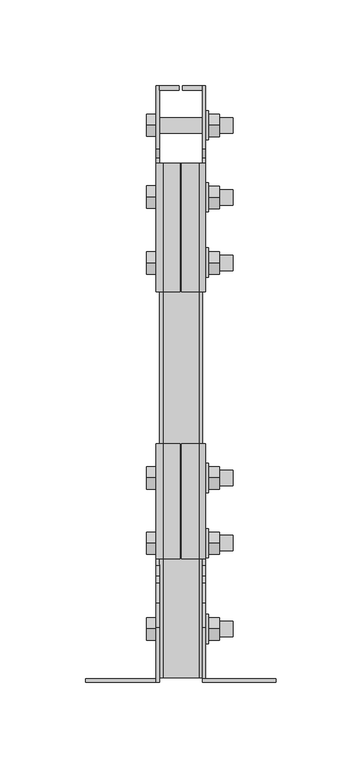
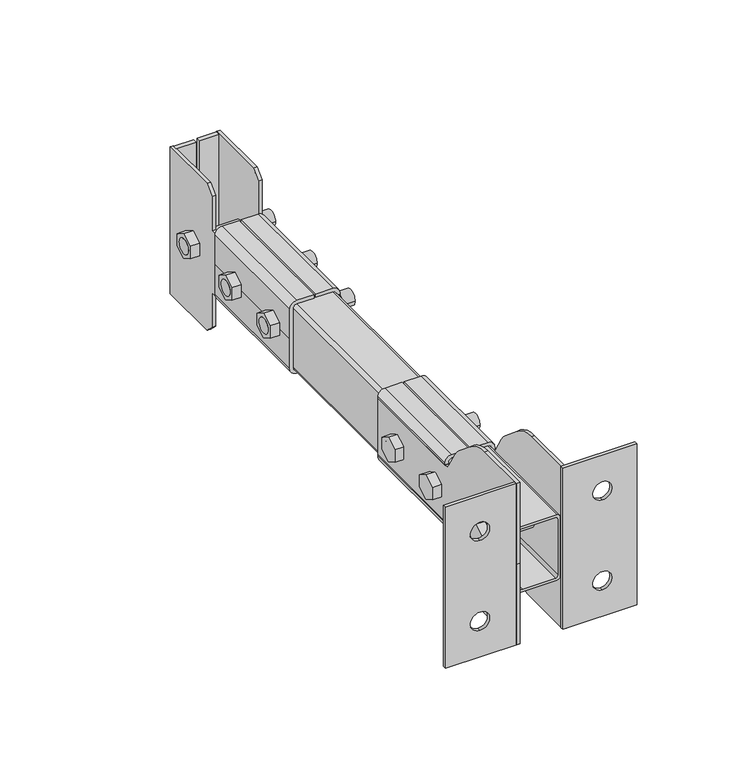
"""IFC4 building model written with IfcOpenShell, lengths in millimetres: proxy geometry."""

from ifc_helpers import new_model, si_unit, point, frame, frame_2d, origin, place, context, project, spatial, polyline, circle_curve, trimmed, segment, composite_curve, outline, extrude, source, transform, mapped, element, save


def generic_models_24f6e71a(model_context):
    return source(origin(), model_context, "Body", "SweptSolid", [
        extrude(outline(composite_curve([segment(trimmed(circle_curve(frame_2d((244.5190981, 0.0)), 8.5), [point((253.0190981, 0.0))], [point((236.0190981, 0.0))], False, "CARTESIAN"), True, "CONTINUOUS"), segment(trimmed(circle_curve(frame_2d((244.5190981, 0.0)), 8.5), [point((236.0190981, 0.0))], [point((253.0190981, 0.0))], False, "CARTESIAN"), True, "CONTINUOUS")], self_intersect=False)), frame((14.5, 0.0, 0.0), z_axis=(1.0, 0.0, 0.0), x_axis=(0.0, 1.0, 0.0)), (0.0, 0.0, 1.0), 1.6),
        extrude(outline(composite_curve([segment(trimmed(circle_curve(frame_2d((282.4878481, 0.0)), 8.5), [point((290.9878481, 0.0))], [point((273.9878481, 0.0))], False, "CARTESIAN"), True, "CONTINUOUS"), segment(trimmed(circle_curve(frame_2d((282.4878481, 0.0)), 8.5), [point((273.9878481, 0.0))], [point((290.9878481, 0.0))], False, "CARTESIAN"), True, "CONTINUOUS")], self_intersect=False)), frame((14.5, 0.0, 0.0), z_axis=(1.0, 0.0, 0.0), x_axis=(0.0, 1.0, 0.0)), (0.0, 0.0, 1.0), 1.6),
        extrude(outline(composite_curve([segment(trimmed(circle_curve(frame_2d((324.4837978, 0.0)), 8.5), [point((332.9837978, 0.0))], [point((315.9837978, 0.0))], False, "CARTESIAN"), True, "CONTINUOUS"), segment(trimmed(circle_curve(frame_2d((324.4837978, 0.0)), 8.5), [point((315.9837978, 0.0))], [point((332.9837978, 0.0))], False, "CARTESIAN"), True, "CONTINUOUS")], self_intersect=False)), frame((14.5, 0.0, 0.0), z_axis=(1.0, 0.0, 0.0), x_axis=(0.0, 1.0, 0.0)), (0.0, 0.0, 1.0), 1.6),
        extrude(outline(polyline([(250.7114038, 3.7527767), (250.7114038, -3.7527767), (244.2114038, -7.5055535), (237.7114038, -3.7527767), (237.7114038, 3.7527767), (244.2114038, 7.5055535), (250.7114038, 3.7527767)])), frame((16.1, 0.0, 0.0), z_axis=(1.0, 0.0, 0.0), x_axis=(0.0, 1.0, 0.0)), (0.0, 0.0, 1.0), 6.5),
        extrude(outline(polyline([(288.8364038, 3.7527767), (288.8364038, -3.7527767), (282.3364038, -7.5055535), (275.8364038, -3.7527767), (275.8364038, 3.7527767), (282.3364038, 7.5055535), (288.8364038, 3.7527767)])), frame((16.1, 0.0, 0.0), z_axis=(1.0, 0.0, 0.0), x_axis=(0.0, 1.0, 0.0)), (0.0, 0.0, 1.0), 6.5),
        extrude(outline(polyline([(330.9131294, 3.7527767), (330.9131294, -3.7527767), (324.4131294, -7.5055535), (317.9131294, -3.7527767), (317.9131294, 3.7527767), (324.4131294, 7.5055535), (330.9131294, 3.7527767)])), frame((16.1, 0.0, 0.0), z_axis=(1.0, 0.0, 0.0), x_axis=(0.0, 1.0, 0.0)), (0.0, 0.0, 1.0), 6.5),
        extrude(outline(composite_curve([segment(trimmed(circle_curve(frame_2d((244.3267454, 0.0)), 4.515429), [point((248.8421745, 0.0))], [point((239.8113164, 0.0))], False, "CARTESIAN"), True, "CONTINUOUS"), segment(trimmed(circle_curve(frame_2d((244.3267454, 0.0)), 4.515429), [point((239.8113164, 0.0))], [point((248.8421745, 0.0))], False, "CARTESIAN"), True, "CONTINUOUS")], self_intersect=False)), frame((-20.0, 0.0, 0.0), z_axis=(1.0, 0.0, 0.0), x_axis=(0.0, 1.0, 0.0)), (0.0, 0.0, 1.0), 50.5),
        extrude(outline(composite_curve([segment(trimmed(circle_curve(frame_2d((282.4517454, 0.0)), 4.515429), [point((286.9671745, 0.0))], [point((277.9363164, 0.0))], False, "CARTESIAN"), True, "CONTINUOUS"), segment(trimmed(circle_curve(frame_2d((282.4517454, 0.0)), 4.515429), [point((277.9363164, 0.0))], [point((286.9671745, 0.0))], False, "CARTESIAN"), True, "CONTINUOUS")], self_intersect=False)), frame((-20.0, 0.0, 0.0), z_axis=(1.0, 0.0, 0.0), x_axis=(0.0, 1.0, 0.0)), (0.0, 0.0, 1.0), 50.5),
        extrude(outline(composite_curve([segment(trimmed(circle_curve(frame_2d((324.3579954, 0.0)), 4.515429), [point((328.8734245, 0.0))], [point((319.8425664, 0.0))], False, "CARTESIAN"), True, "CONTINUOUS"), segment(trimmed(circle_curve(frame_2d((324.3579954, 0.0)), 4.515429), [point((319.8425664, 0.0))], [point((328.8734245, 0.0))], False, "CARTESIAN"), True, "CONTINUOUS")], self_intersect=False)), frame((-20.0, 0.0, 0.0), z_axis=(1.0, 0.0, 0.0), x_axis=(0.0, 1.0, 0.0)), (0.0, 0.0, 1.0), 50.5),
        extrude(outline(polyline([(250.7114038, 3.7527767), (250.7114038, -3.7527767), (244.2114038, -7.5055535), (237.7114038, -3.7527767), (237.7114038, 3.7527767), (244.2114038, 7.5055535), (250.7114038, 3.7527767)])), frame((-20.0, 0.0, 0.0), z_axis=(1.0, 0.0, 0.0), x_axis=(0.0, 1.0, 0.0)), (0.0, 0.0, 1.0), 5.5),
        extrude(outline(polyline([(289.1489038, 3.7527767), (289.1489038, -3.7527767), (282.6489038, -7.5055535), (276.1489038, -3.7527767), (276.1489038, 3.7527767), (282.6489038, 7.5055535), (289.1489038, 3.7527767)])), frame((-20.0, 0.0, 0.0), z_axis=(1.0, 0.0, 0.0), x_axis=(0.0, 1.0, 0.0)), (0.0, 0.0, 1.0), 5.5),
        extrude(outline(polyline([(331.0693794, 3.7527767), (331.0693794, -3.7527767), (324.5693794, -7.5055535), (318.0693794, -3.7527767), (318.0693794, 3.7527767), (324.5693794, 7.5055535), (331.0693794, 3.7527767)])), frame((-20.0, 0.0, 0.0), z_axis=(1.0, 0.0, 0.0), x_axis=(0.0, 1.0, 0.0)), (0.0, 0.0, 1.0), 5.5),
        extrude(outline(polyline([(347.4951628, 45.0), (347.4951628, 0.0), (347.4951628, -45.0), (310.4972368, -45.0), (305.4972368, -40.0), (305.4972368, -19.0), (302.4972368, -19.0), (302.4972368, -17.0099611), (227.4972368, -17.0099611), (227.4972368, 0.0), (227.4972368, 17.0099611), (302.4972368, 17.0099611), (302.4972368, 19.0), (305.4972368, 19.0), (305.4972368, 40.0), (310.4972368, 45.0), (347.4951628, 45.0)])), frame((12.5, 0.0, 0.0), z_axis=(1.0, 0.0, 0.0), x_axis=(0.0, 1.0, 0.0)), (0.0, 0.0, 1.0), 2.0),
        extrude(outline(composite_curve([segment(polyline([(0.0, 0.0), (0.0, 49.4), (31.8427762, 49.4)]), True, "CONTINUOUS"), segment(trimmed(circle_curve(frame_2d((31.8427762, 27.5454861)), 21.8545139), [point((31.8427762, 49.4))], [point((45.8906762, 44.2869401))], False, "CARTESIAN"), True, "CONTINUOUS"), segment(polyline([(45.8906762, 44.2869401), (57.508691, 34.5381626)]), True, "CONTINUOUS"), segment(trimmed(circle_curve(frame_2d((45.0543342, 19.6957988)), 19.3754166), [point((57.508691, 34.5381626))], [point((61.6686175, 29.6643674))], False, "CARTESIAN"), True, "CONTINUOUS"), segment(polyline([(61.6686175, 29.6643674), (67.8107241, 19.4275215)]), True, "CONTINUOUS"), segment(trimmed(circle_curve(frame_2d((72.0981889, 22.0)), 5.0), [point((67.8107241, 19.4275215))], [point((72.0981889, 17.0))], True, "CARTESIAN"), True, "CONTINUOUS"), segment(polyline([(72.0981889, 17.0), (138.9972368, 17.0), (138.9972368, 0.0), (138.9972368, -17.0), (72.0981889, -17.0)]), True, "CONTINUOUS"), segment(trimmed(circle_curve(frame_2d((72.0981889, -22.0)), 5.0), [point((72.0981889, -17.0))], [point((67.8107241, -19.4275215))], True, "CARTESIAN"), True, "CONTINUOUS"), segment(polyline([(67.8107241, -19.4275215), (61.6686175, -29.6643674)]), True, "CONTINUOUS"), segment(trimmed(circle_curve(frame_2d((45.0543342, -19.6957988)), 19.3754166), [point((61.6686175, -29.6643674))], [point((57.508691, -34.5381626))], False, "CARTESIAN"), True, "CONTINUOUS"), segment(polyline([(57.508691, -34.5381626), (45.8906762, -44.2869401)]), True, "CONTINUOUS"), segment(trimmed(circle_curve(frame_2d((31.8427762, -27.5454861)), 21.8545139), [point((45.8906762, -44.2869401))], [point((31.8427762, -49.4))], False, "CARTESIAN"), True, "CONTINUOUS"), segment(polyline([(31.8427762, -49.4), (0.0, -49.4), (0.0, 0.0)]), True, "CONTINUOUS")], self_intersect=False)), frame((-14.5, 0.0, 0.0), z_axis=(1.0, 0.0, 0.0), x_axis=(0.0, 1.0, 0.0)), (0.0, 0.0, 1.0), 2.0),
        extrude(outline(polyline([(-1.002074, 347.4951628), (-1.002074, 344.9951628), (-12.5, 344.9951628), (-12.5, 347.4951628), (-1.002074, 347.4951628)])), frame((0.0, 0.0, -44.7208203), z_axis=(0.0, 0.0, 1.0), x_axis=(1.0, 0.0, 0.0)), (0.0, 0.0, 1.0), 89.4416407),
        extrude(outline(polyline([(1.002074, 347.4951628), (12.5, 347.4951628), (12.5, 344.9951628), (1.002074, 344.9951628), (1.002074, 347.4951628)])), frame((0.0, 0.0, -44.7208203), z_axis=(0.0, 0.0, 1.0), x_axis=(1.0, 0.0, 0.0)), (0.0, 0.0, 1.0), 89.4416407),
        extrude(outline(polyline([(37.4972368, 3.7527767), (37.4972368, -3.7527767), (30.9972368, -7.5055535), (24.4972368, -3.7527767), (24.4972368, 3.7527767), (30.9972368, 7.5055535), (37.4972368, 3.7527767)])), frame((16.1, 0.0, 0.0), z_axis=(1.0, 0.0, 0.0), x_axis=(0.0, 1.0, 0.0)), (0.0, 0.0, 1.0), 6.5),
        extrude(outline(polyline([(87.4972368, 3.7527767), (87.4972368, -3.7527767), (80.9972368, -7.5055535), (74.4972368, -3.7527767), (74.4972368, 3.7527767), (80.9972368, 7.5055535), (87.4972368, 3.7527767)])), frame((16.1, 0.0, 0.0), z_axis=(1.0, 0.0, 0.0), x_axis=(0.0, 1.0, 0.0)), (0.0, 0.0, 1.0), 6.5),
        extrude(outline(polyline([(125.5114624, 3.7527767), (125.5114624, -3.7527767), (119.0114624, -7.5055535), (112.5114624, -3.7527767), (112.5114624, 3.7527767), (119.0114624, 7.5055535), (125.5114624, 3.7527767)])), frame((16.1, 0.0, 0.0), z_axis=(1.0, 0.0, 0.0), x_axis=(0.0, 1.0, 0.0)), (0.0, 0.0, 1.0), 6.5),
        extrude(outline(composite_curve([segment(trimmed(circle_curve(frame_2d((30.9972368, 0.0)), 8.5), [point((39.4972368, 0.0))], [point((22.4972368, 0.0))], False, "CARTESIAN"), True, "CONTINUOUS"), segment(trimmed(circle_curve(frame_2d((30.9972368, 0.0)), 8.5), [point((22.4972368, 0.0))], [point((39.4972368, 0.0))], False, "CARTESIAN"), True, "CONTINUOUS")], self_intersect=False)), frame((14.5, 0.0, 0.0), z_axis=(1.0, 0.0, 0.0), x_axis=(0.0, 1.0, 0.0)), (0.0, 0.0, 1.0), 1.6),
        extrude(outline(composite_curve([segment(trimmed(circle_curve(frame_2d((80.9972368, 0.0)), 8.5), [point((89.4972368, 0.0))], [point((72.4972368, 0.0))], False, "CARTESIAN"), True, "CONTINUOUS"), segment(trimmed(circle_curve(frame_2d((80.9972368, 0.0)), 8.5), [point((72.4972368, 0.0))], [point((89.4972368, 0.0))], False, "CARTESIAN"), True, "CONTINUOUS")], self_intersect=False)), frame((14.5, 0.0, 0.0), z_axis=(1.0, 0.0, 0.0), x_axis=(0.0, 1.0, 0.0)), (0.0, 0.0, 1.0), 1.6),
        extrude(outline(composite_curve([segment(trimmed(circle_curve(frame_2d((119.0088115, 0.0)), 8.5), [point((127.5088115, 0.0))], [point((110.5088115, 0.0))], False, "CARTESIAN"), True, "CONTINUOUS"), segment(trimmed(circle_curve(frame_2d((119.0088115, 0.0)), 8.5), [point((110.5088115, 0.0))], [point((127.5088115, 0.0))], False, "CARTESIAN"), True, "CONTINUOUS")], self_intersect=False)), frame((14.5, 0.0, 0.0), z_axis=(1.0, 0.0, 0.0), x_axis=(0.0, 1.0, 0.0)), (0.0, 0.0, 1.0), 1.6),
        extrude(outline(polyline([(37.4972368, 3.7527767), (37.4972368, -3.7527767), (30.9972368, -7.5055535), (24.4972368, -3.7527767), (24.4972368, 3.7527767), (30.9972368, 7.5055535), (37.4972368, 3.7527767)])), frame((-20.0, 0.0, 0.0), z_axis=(1.0, 0.0, 0.0), x_axis=(0.0, 1.0, 0.0)), (0.0, 0.0, 1.0), 5.5),
        extrude(outline(polyline([(87.4972368, 3.7527767), (87.4972368, -3.7527767), (80.9972368, -7.5055535), (74.4972368, -3.7527767), (74.4972368, 3.7527767), (80.9972368, 7.5055535), (87.4972368, 3.7527767)])), frame((-20.0, 0.0, 0.0), z_axis=(1.0, 0.0, 0.0), x_axis=(0.0, 1.0, 0.0)), (0.0, 0.0, 1.0), 5.5),
        extrude(outline(polyline([(125.5114624, 3.7527767), (125.5114624, -3.7527767), (119.0114624, -7.5055535), (112.5114624, -3.7527767), (112.5114624, 3.7527767), (119.0114624, 7.5055535), (125.5114624, 3.7527767)])), frame((-20.0, 0.0, 0.0), z_axis=(1.0, 0.0, 0.0), x_axis=(0.0, 1.0, 0.0)), (0.0, 0.0, 1.0), 5.5),
        extrude(outline(composite_curve([segment(trimmed(circle_curve(frame_2d((30.9538006, 0.0)), 4.515429), [point((35.4692297, 0.0))], [point((26.4383716, 0.0))], False, "CARTESIAN"), True, "CONTINUOUS"), segment(trimmed(circle_curve(frame_2d((30.9538006, 0.0)), 4.515429), [point((26.4383716, 0.0))], [point((35.4692297, 0.0))], False, "CARTESIAN"), True, "CONTINUOUS")], self_intersect=False)), frame((-20.0, 0.0, 0.0), z_axis=(1.0, 0.0, 0.0), x_axis=(0.0, 1.0, 0.0)), (0.0, 0.0, 1.0), 50.5),
        extrude(outline(composite_curve([segment(trimmed(circle_curve(frame_2d((80.9538006, 0.0)), 4.515429), [point((85.4692297, 0.0))], [point((76.4383716, 0.0))], False, "CARTESIAN"), True, "CONTINUOUS"), segment(trimmed(circle_curve(frame_2d((80.9538006, 0.0)), 4.515429), [point((76.4383716, 0.0))], [point((85.4692297, 0.0))], False, "CARTESIAN"), True, "CONTINUOUS")], self_intersect=False)), frame((-20.0, 0.0, 0.0), z_axis=(1.0, 0.0, 0.0), x_axis=(0.0, 1.0, 0.0)), (0.0, 0.0, 1.0), 50.5),
        extrude(outline(composite_curve([segment(trimmed(circle_curve(frame_2d((118.9538006, 0.0)), 4.515429), [point((123.4692297, 0.0))], [point((114.4383716, 0.0))], False, "CARTESIAN"), True, "CONTINUOUS"), segment(trimmed(circle_curve(frame_2d((118.9538006, 0.0)), 4.515429), [point((114.4383716, 0.0))], [point((123.4692297, 0.0))], False, "CARTESIAN"), True, "CONTINUOUS")], self_intersect=False)), frame((-20.0, 0.0, 0.0), z_axis=(1.0, 0.0, 0.0), x_axis=(0.0, 1.0, 0.0)), (0.0, 0.0, 1.0), 50.5),
        extrude(outline(composite_curve([segment(polyline([(-22.2499979, -10.5), (-22.2499979, -0.5055263), (-20.2499979, -0.5055263), (-20.2499979, -10.5)]), True, "CONTINUOUS"), segment(trimmed(circle_curve(frame_2d((-18.2499979, -10.5)), 2.0), [point((-20.2499979, -10.5))], [point((-18.2499979, -12.5))], True, "CARTESIAN"), True, "CONTINUOUS"), segment(polyline([(-18.2499979, -12.5), (0.0, -12.5), (18.2499979, -12.5)]), True, "CONTINUOUS"), segment(trimmed(circle_curve(frame_2d((18.2499979, -10.5)), 2.0), [point((18.2499979, -12.5))], [point((20.2499979, -10.5))], True, "CARTESIAN"), True, "CONTINUOUS"), segment(polyline([(20.2499979, -10.5), (20.2499979, -0.5055263), (22.2499979, -0.5055263), (22.2499979, -10.5)]), True, "CONTINUOUS"), segment(trimmed(circle_curve(frame_2d((18.2499979, -10.5)), 4.0), [point((22.2499979, -10.5))], [point((18.2499979, -14.5))], False, "CARTESIAN"), True, "CONTINUOUS"), segment(polyline([(18.2499979, -14.5), (0.0, -14.5), (-18.2499979, -14.5)]), True, "CONTINUOUS"), segment(trimmed(circle_curve(frame_2d((-18.2499979, -10.5)), 4.0), [point((-18.2499979, -14.5))], [point((-22.2499979, -10.5))], False, "CARTESIAN"), True, "CONTINUOUS")], self_intersect=False)), frame((0.0, 227.4972368, 0.0), z_axis=(0.0, 1.0, 0.0), x_axis=(0.0, 0.0, 1.0)), (0.0, 0.0, 1.0), 75.0),
        extrude(outline(composite_curve([segment(trimmed(circle_curve(frame_2d((-18.2499979, 10.5)), 4.0), [point((-22.2499979, 10.5))], [point((-18.2499979, 14.5))], False, "CARTESIAN"), True, "CONTINUOUS"), segment(polyline([(-18.2499979, 14.5), (0.0, 14.5), (18.2499979, 14.5)]), True, "CONTINUOUS"), segment(trimmed(circle_curve(frame_2d((18.2499979, 10.5)), 4.0), [point((18.2499979, 14.5))], [point((22.2499979, 10.5))], False, "CARTESIAN"), True, "CONTINUOUS"), segment(polyline([(22.2499979, 10.5), (22.2499979, 0.5055263), (20.2499979, 0.5055263), (20.2499979, 10.5)]), True, "CONTINUOUS"), segment(trimmed(circle_curve(frame_2d((18.2499979, 10.5)), 2.0), [point((20.2499979, 10.5))], [point((18.2499979, 12.5))], True, "CARTESIAN"), True, "CONTINUOUS"), segment(polyline([(18.2499979, 12.5), (0.0, 12.5), (-18.2499979, 12.5)]), True, "CONTINUOUS"), segment(trimmed(circle_curve(frame_2d((-18.2499979, 10.5)), 2.0), [point((-18.2499979, 12.5))], [point((-20.2499979, 10.5))], True, "CARTESIAN"), True, "CONTINUOUS"), segment(polyline([(-20.2499979, 10.5), (-20.2499979, 0.5055263), (-22.2499979, 0.5055263), (-22.2499979, 10.5)]), True, "CONTINUOUS")], self_intersect=False)), frame((0.0, 227.4972368, 0.0), z_axis=(0.0, 1.0, 0.0), x_axis=(0.0, 0.0, 1.0)), (0.0, 0.0, 1.0), 75.0),
        extrude(outline(composite_curve([segment(polyline([(-22.2499979, -10.5), (-22.2499979, -0.5055263), (-20.2499979, -0.5055263), (-20.2499979, -10.5)]), True, "CONTINUOUS"), segment(trimmed(circle_curve(frame_2d((-18.2499979, -10.5)), 2.0), [point((-20.2499979, -10.5))], [point((-18.2499979, -12.5))], True, "CARTESIAN"), True, "CONTINUOUS"), segment(polyline([(-18.2499979, -12.5), (0.0, -12.5), (18.2499979, -12.5)]), True, "CONTINUOUS"), segment(trimmed(circle_curve(frame_2d((18.2499979, -10.5)), 2.0), [point((18.2499979, -12.5))], [point((20.2499979, -10.5))], True, "CARTESIAN"), True, "CONTINUOUS"), segment(polyline([(20.2499979, -10.5), (20.2499979, -0.5055263), (22.2499979, -0.5055263), (22.2499979, -10.5)]), True, "CONTINUOUS"), segment(trimmed(circle_curve(frame_2d((18.2499979, -10.5)), 4.0), [point((22.2499979, -10.5))], [point((18.2499979, -14.5))], False, "CARTESIAN"), True, "CONTINUOUS"), segment(polyline([(18.2499979, -14.5), (0.0, -14.5), (-18.2499979, -14.5)]), True, "CONTINUOUS"), segment(trimmed(circle_curve(frame_2d((-18.2499979, -10.5)), 4.0), [point((-18.2499979, -14.5))], [point((-22.2499979, -10.5))], False, "CARTESIAN"), True, "CONTINUOUS")], self_intersect=False)), frame((0.0, 71.8281889, 0.0), z_axis=(0.0, 1.0, 0.0), x_axis=(0.0, 0.0, 1.0)), (0.0, 0.0, 1.0), 67.1690479),
        extrude(outline(composite_curve([segment(trimmed(circle_curve(frame_2d((-18.2499979, 10.5)), 4.0), [point((-22.2499979, 10.5))], [point((-18.2499979, 14.5))], False, "CARTESIAN"), True, "CONTINUOUS"), segment(polyline([(-18.2499979, 14.5), (0.0, 14.5), (18.2499979, 14.5)]), True, "CONTINUOUS"), segment(trimmed(circle_curve(frame_2d((18.2499979, 10.5)), 4.0), [point((18.2499979, 14.5))], [point((22.2499979, 10.5))], False, "CARTESIAN"), True, "CONTINUOUS"), segment(polyline([(22.2499979, 10.5), (22.2499979, 0.5055263), (20.2499979, 0.5055263), (20.2499979, 10.5)]), True, "CONTINUOUS"), segment(trimmed(circle_curve(frame_2d((18.2499979, 10.5)), 2.0), [point((20.2499979, 10.5))], [point((18.2499979, 12.5))], True, "CARTESIAN"), True, "CONTINUOUS"), segment(polyline([(18.2499979, 12.5), (0.0, 12.5), (-18.2499979, 12.5)]), True, "CONTINUOUS"), segment(trimmed(circle_curve(frame_2d((-18.2499979, 10.5)), 2.0), [point((-18.2499979, 12.5))], [point((-20.2499979, 10.5))], True, "CARTESIAN"), True, "CONTINUOUS"), segment(polyline([(-20.2499979, 10.5), (-20.2499979, 0.5055263), (-22.2499979, 0.5055263), (-22.2499979, 10.5)]), True, "CONTINUOUS")], self_intersect=False)), frame((0.0, 71.8281889, 0.0), z_axis=(0.0, 1.0, 0.0), x_axis=(0.0, 0.0, 1.0)), (0.0, 0.0, 1.0), 67.1690479),
        extrude(outline(polyline([(49.4, -12.5), (49.4, -55.4972347), (-49.4, -55.4972347), (-49.4, -12.5), (49.4, -12.5)]), holes=[composite_curve([segment(trimmed(circle_curve(frame_2d((27.4914774, -35.4629887)), 5.5219905), [point((21.9694868, -35.4629887))], [point((33.0134679, -35.4629887))], True, "CARTESIAN"), True, "CONTINUOUS"), segment(trimmed(circle_curve(frame_2d((27.4914774, -35.4629887)), 5.5219905), [point((33.0134679, -35.4629887))], [point((21.9694868, -35.4629887))], True, "CARTESIAN"), True, "CONTINUOUS")], self_intersect=False), composite_curve([segment(trimmed(circle_curve(frame_2d((-27.4914774, -35.4629887)), 5.5219905), [point((-33.0134679, -35.4629887))], [point((-21.9694868, -35.4629887))], True, "CARTESIAN"), True, "CONTINUOUS"), segment(trimmed(circle_curve(frame_2d((-27.4914774, -35.4629887)), 5.5219905), [point((-21.9694868, -35.4629887))], [point((-33.0134679, -35.4629887))], True, "CARTESIAN"), True, "CONTINUOUS")], self_intersect=False)]), frame((0.0, 0.0, 0.0), z_axis=(0.0, 1.0, 0.0), x_axis=(0.0, 0.0, 1.0)), (0.0, 0.0, 1.0), 2.0),
        extrude(outline(polyline([(49.4, 12.5), (-49.4, 12.5), (-49.4, 55.4972347), (49.4, 55.4972347), (49.4, 12.5)]), holes=[composite_curve([segment(trimmed(circle_curve(frame_2d((27.4914774, 35.4629887)), 5.5219905), [point((21.9694868, 35.4629887))], [point((33.0134679, 35.4629887))], True, "CARTESIAN"), True, "CONTINUOUS"), segment(trimmed(circle_curve(frame_2d((27.4914774, 35.4629887)), 5.5219905), [point((33.0134679, 35.4629887))], [point((21.9694868, 35.4629887))], True, "CARTESIAN"), True, "CONTINUOUS")], self_intersect=False), composite_curve([segment(trimmed(circle_curve(frame_2d((-27.4914774, 35.4629887)), 5.5219905), [point((-33.0134679, 35.4629887))], [point((-21.9694868, 35.4629887))], True, "CARTESIAN"), True, "CONTINUOUS"), segment(trimmed(circle_curve(frame_2d((-27.4914774, 35.4629887)), 5.5219905), [point((-21.9694868, 35.4629887))], [point((-33.0134679, 35.4629887))], True, "CARTESIAN"), True, "CONTINUOUS")], self_intersect=False)]), frame((0.0, 0.0, 0.0), z_axis=(0.0, 1.0, 0.0), x_axis=(0.0, 0.0, 1.0)), (0.0, 0.0, 1.0), 2.0),
        extrude(outline(polyline([(347.4951628, 45.0), (347.4951628, 0.0), (347.4951628, -45.0), (310.4972368, -45.0), (305.4972368, -40.0), (305.4972368, -19.0), (302.4972368, -19.0), (302.4972368, -17.0099611), (227.4972368, -17.0099611), (227.4972368, 0.0), (227.4972368, 17.0099611), (302.4972368, 17.0099611), (302.4972368, 19.0), (305.4972368, 19.0), (305.4972368, 40.0), (310.4972368, 45.0), (347.4951628, 45.0)])), frame((-14.5, 0.0, 0.0), z_axis=(1.0, 0.0, 0.0), x_axis=(0.0, 1.0, 0.0)), (0.0, 0.0, 1.0), 2.0),
        extrude(outline(composite_curve([segment(polyline([(0.0, 0.0), (0.0, 49.4), (31.8427762, 49.4)]), True, "CONTINUOUS"), segment(trimmed(circle_curve(frame_2d((31.8427762, 27.5454861)), 21.8545139), [point((31.8427762, 49.4))], [point((45.8906762, 44.2869401))], False, "CARTESIAN"), True, "CONTINUOUS"), segment(polyline([(45.8906762, 44.2869401), (57.508691, 34.5381626)]), True, "CONTINUOUS"), segment(trimmed(circle_curve(frame_2d((45.0543342, 19.6957988)), 19.3754166), [point((57.508691, 34.5381626))], [point((61.6686175, 29.6643674))], False, "CARTESIAN"), True, "CONTINUOUS"), segment(polyline([(61.6686175, 29.6643674), (67.8107241, 19.4275215)]), True, "CONTINUOUS"), segment(trimmed(circle_curve(frame_2d((72.0981889, 22.0)), 5.0), [point((67.8107241, 19.4275215))], [point((72.0981889, 17.0))], True, "CARTESIAN"), True, "CONTINUOUS"), segment(polyline([(72.0981889, 17.0), (138.9972368, 17.0), (138.9972368, 0.0), (138.9972368, -17.0), (72.0981889, -17.0)]), True, "CONTINUOUS"), segment(trimmed(circle_curve(frame_2d((72.0981889, -22.0)), 5.0), [point((72.0981889, -17.0))], [point((67.8107241, -19.4275215))], True, "CARTESIAN"), True, "CONTINUOUS"), segment(polyline([(67.8107241, -19.4275215), (61.6686175, -29.6643674)]), True, "CONTINUOUS"), segment(trimmed(circle_curve(frame_2d((45.0543342, -19.6957988)), 19.3754166), [point((61.6686175, -29.6643674))], [point((57.508691, -34.5381626))], False, "CARTESIAN"), True, "CONTINUOUS"), segment(polyline([(57.508691, -34.5381626), (45.8906762, -44.2869401)]), True, "CONTINUOUS"), segment(trimmed(circle_curve(frame_2d((31.8427762, -27.5454861)), 21.8545139), [point((45.8906762, -44.2869401))], [point((31.8427762, -49.4))], False, "CARTESIAN"), True, "CONTINUOUS"), segment(polyline([(31.8427762, -49.4), (0.0, -49.4), (0.0, 0.0)]), True, "CONTINUOUS")], self_intersect=False)), frame((12.5, 0.0, 0.0), z_axis=(1.0, 0.0, 0.0), x_axis=(0.0, 1.0, 0.0)), (0.0, 0.0, 1.0), 2.0),
        extrude(outline(composite_curve([segment(trimmed(circle_curve(frame_2d((-18.0, 10.5)), 2.0), [point((-20.0, 10.5))], [point((-18.0, 12.5))], False, "CARTESIAN"), True, "CONTINUOUS"), segment(polyline([(-18.0, 12.5), (18.0, 12.5)]), True, "CONTINUOUS"), segment(trimmed(circle_curve(frame_2d((18.0, 10.5)), 2.0), [point((18.0, 12.5))], [point((20.0, 10.5))], False, "CARTESIAN"), True, "CONTINUOUS"), segment(polyline([(20.0, 10.5), (20.0, -10.5)]), True, "CONTINUOUS"), segment(trimmed(circle_curve(frame_2d((18.0, -10.5)), 2.0), [point((20.0, -10.5))], [point((18.0, -12.5))], False, "CARTESIAN"), True, "CONTINUOUS"), segment(polyline([(18.0, -12.5), (-18.0, -12.5)]), True, "CONTINUOUS"), segment(trimmed(circle_curve(frame_2d((-18.0, -10.5)), 2.0), [point((-18.0, -12.5))], [point((-20.0, -10.5))], False, "CARTESIAN"), True, "CONTINUOUS"), segment(polyline([(-20.0, -10.5), (-20.0, 10.5)]), True, "CONTINUOUS")], self_intersect=False), holes=[composite_curve([segment(polyline([(-17.0, -11.0), (17.0450574, -11.0)]), True, "CONTINUOUS"), segment(trimmed(circle_curve(frame_2d((17.0450574, -9.5450574)), 1.4549426), [point((17.0450574, -11.0))], [point((18.5, -9.5450574))], True, "CARTESIAN"), True, "CONTINUOUS"), segment(polyline([(18.5, -9.5450574), (18.5, 9.5099611)]), True, "CONTINUOUS"), segment(trimmed(circle_curve(frame_2d((17.0099611, 9.5099611)), 1.4900389), [point((18.5, 9.5099611))], [point((17.0099611, 11.0))], True, "CARTESIAN"), True, "CONTINUOUS"), segment(polyline([(17.0099611, 11.0), (-17.0, 11.0)]), True, "CONTINUOUS"), segment(trimmed(circle_curve(frame_2d((-17.0, 9.5)), 1.5), [point((-17.0, 11.0))], [point((-18.5, 9.5))], True, "CARTESIAN"), True, "CONTINUOUS"), segment(polyline([(-18.5, 9.5), (-18.5, -9.5)]), True, "CONTINUOUS"), segment(trimmed(circle_curve(frame_2d((-17.0, -9.5)), 1.5), [point((-18.5, -9.5))], [point((-17.0, -11.0))], True, "CARTESIAN"), True, "CONTINUOUS")], self_intersect=False)]), frame((0.0, 2.4972368, 0.0), z_axis=(0.0, 1.0, 0.0), x_axis=(0.0, 0.0, 1.0)), (0.0, 0.0, 1.0), 300.0),
    ])


if __name__ == "__main__":
    model = new_model("IFC4")
    model_context = context("Model", 3, world=origin())
    ifc_project = project(units=[si_unit("LENGTHUNIT", "METRE", prefix="MILLI")], contexts=[model_context])
    site = spatial("IfcSite", under=ifc_project)
    building = spatial("IfcBuilding", under=site)
    placement = place(None, origin())
    generic_models_shape = generic_models_24f6e71a(model_context)
    element("IfcBuildingElementProxy", 1, Name="Generic Models", at=placement, inside=building, context=model_context, shape_type="MappedRepresentation", body=[
        mapped(generic_models_shape, transform((0.0, 0.0, 0.0), x_axis=(1.0, 0.0, 0.0), y_axis=(0.0, 1.0, 0.0), z_axis=(0.0, 0.0, 1.0))),
    ])
    save(model, "model.ifc")
